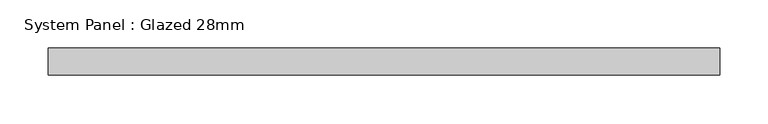
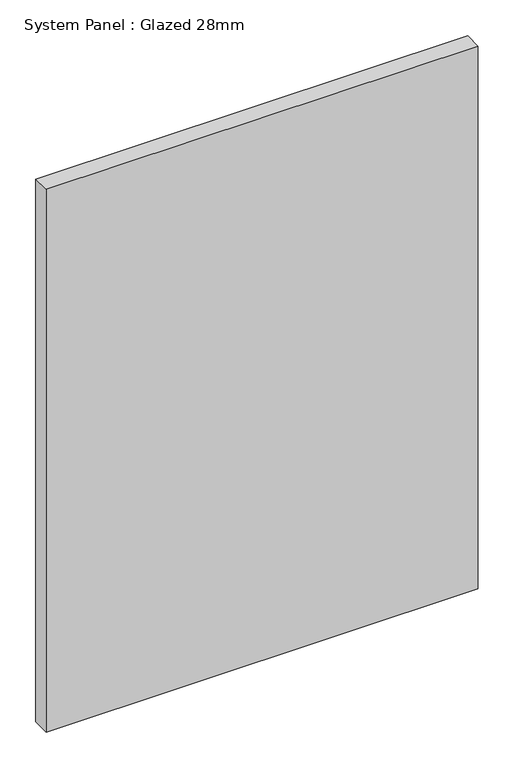
"""IFC4 building model written with IfcOpenShell, lengths in millimetres: plate geometry, System Panel : Glazed 28mm."""

from ifc_helpers import new_model, si_unit, origin, origin_with_axes, place, context, project, spatial, polyline, outline, extrude, source, transform, mapped, element, save


def system_panel_glazed_28mm_b4255c49(model_context):
    return source(origin(), model_context, "Body", "SweptSolid", [
        extrude(outline(polyline([(346.7808019, -14.0), (-346.7808019, -14.0), (-346.7808019, 14.0), (346.7808019, 14.0), (346.7808019, -14.0)])), origin_with_axes(), (0.0, 0.0, 1.0), 920.6623342),
    ])


if __name__ == "__main__":
    model = new_model("IFC4")
    model_context = context("Model", 3, world=origin())
    ifc_project = project(units=[si_unit("LENGTHUNIT", "METRE", prefix="MILLI")], contexts=[model_context])
    site = spatial("IfcSite", under=ifc_project)
    building = spatial("IfcBuilding", under=site)
    placement = place(None, origin())
    system_panel_glazed_28mm_shape = system_panel_glazed_28mm_b4255c49(model_context)
    element("IfcPlate", 1, ObjectType="System Panel : Glazed 28mm", at=placement, inside=building, context=model_context, shape_type="MappedRepresentation", body=[
        mapped(system_panel_glazed_28mm_shape, transform((0.0, 0.0, 0.0), x_axis=(1.0, 0.0, 0.0), y_axis=(0.0, 1.0, 0.0), z_axis=(0.0, 0.0, 1.0))),
    ])
    save(model, "model.ifc")
